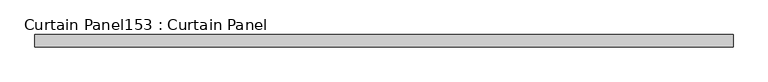
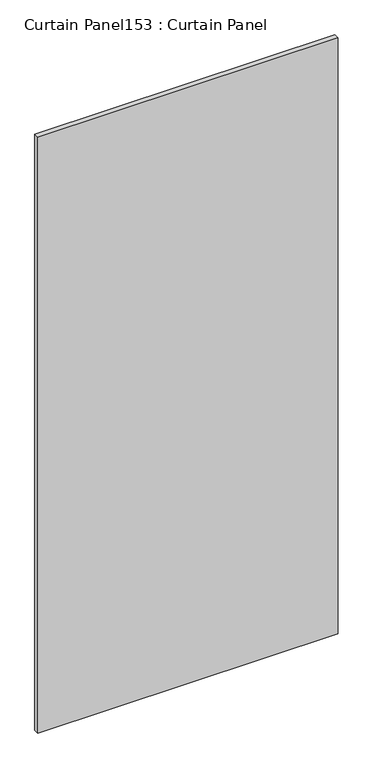
"""IFC4 building model written with IfcOpenShell, lengths in millimetres: plate geometry, Curtain Panel153 : Curtain Panel."""

from ifc_helpers import new_model, si_unit, frame, origin, place, context, project, spatial, polyline, outline, extrude, source, transform, mapped, element, save


def curtain_panel153_curtain_panel_232b7057(model_context):
    return source(origin(), model_context, "Body", "SweptSolid", [
        extrude(outline(polyline([(416491.8312536, 2289.5089321), (415037.8035732, 2289.5089321), (415037.8035732, 2314.9089321), (416491.8312536, 2314.9089321), (416491.8312536, 2289.5089321)])), frame((0.0, 0.0, 7019.7548754), z_axis=(0.0, 0.0, 1.0), x_axis=(1.0, 0.0, 0.0)), (0.0, 0.0, 1.0), 3048.0),
    ])


if __name__ == "__main__":
    model = new_model("IFC4")
    model_context = context("Model", 3, world=origin())
    ifc_project = project(units=[si_unit("LENGTHUNIT", "METRE", prefix="MILLI")], contexts=[model_context])
    site = spatial("IfcSite", under=ifc_project)
    building = spatial("IfcBuilding", under=site)
    placement = place(None, origin())
    curtain_panel153_curtain_panel_shape = curtain_panel153_curtain_panel_232b7057(model_context)
    element("IfcPlate", 1, ObjectType="Curtain Panel153 : Curtain Panel", at=placement, inside=building, context=model_context, shape_type="MappedRepresentation", body=[
        mapped(curtain_panel153_curtain_panel_shape, transform((0.0, 0.0, 0.0), x_axis=(1.0, 0.0, 0.0), y_axis=(0.0, 1.0, 0.0), z_axis=(0.0, 0.0, 1.0))),
    ])
    save(model, "model.ifc")
